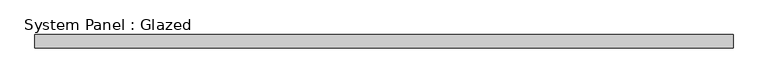
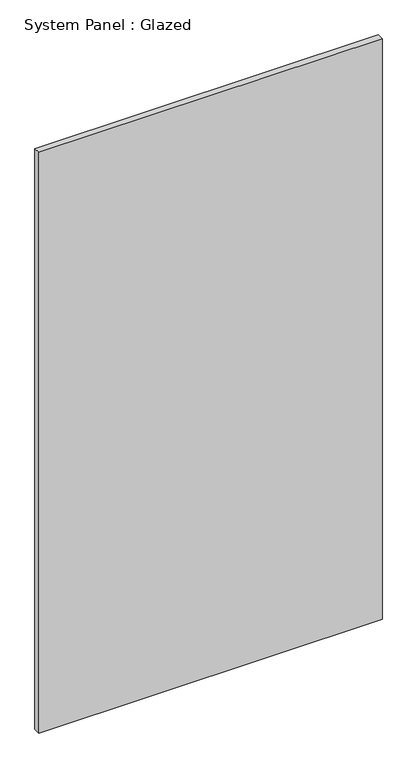
"""IFC4 building model written with IfcOpenShell, lengths in millimetres: plate geometry, System Panel : Glazed."""

from ifc_helpers import new_model, si_unit, origin, origin_with_axes, place, context, project, spatial, polyline, outline, extrude, source, transform, mapped, element, save


def system_panel_glazed_28b2bef0(model_context):
    return source(origin(), model_context, "Body", "SweptSolid", [
        extrude(outline(polyline([(650.0, 24.5), (-650.0, 24.5), (-650.0, 49.5), (650.0, 49.5), (650.0, 24.5)])), origin_with_axes(), (0.0, 0.0, 1.0), 2325.0),
    ])


if __name__ == "__main__":
    model = new_model("IFC4")
    model_context = context("Model", 3, world=origin())
    ifc_project = project(units=[si_unit("LENGTHUNIT", "METRE", prefix="MILLI")], contexts=[model_context])
    site = spatial("IfcSite", under=ifc_project)
    building = spatial("IfcBuilding", under=site)
    placement = place(None, origin())
    system_panel_glazed_shape = system_panel_glazed_28b2bef0(model_context)
    element("IfcPlate", 1, ObjectType="System Panel : Glazed", at=placement, inside=building, context=model_context, shape_type="MappedRepresentation", body=[
        mapped(system_panel_glazed_shape, transform((0.0, 0.0, 0.0), x_axis=(1.0, 0.0, 0.0), y_axis=(0.0, 1.0, 0.0), z_axis=(0.0, 0.0, 1.0))),
    ])
    save(model, "model.ifc")
